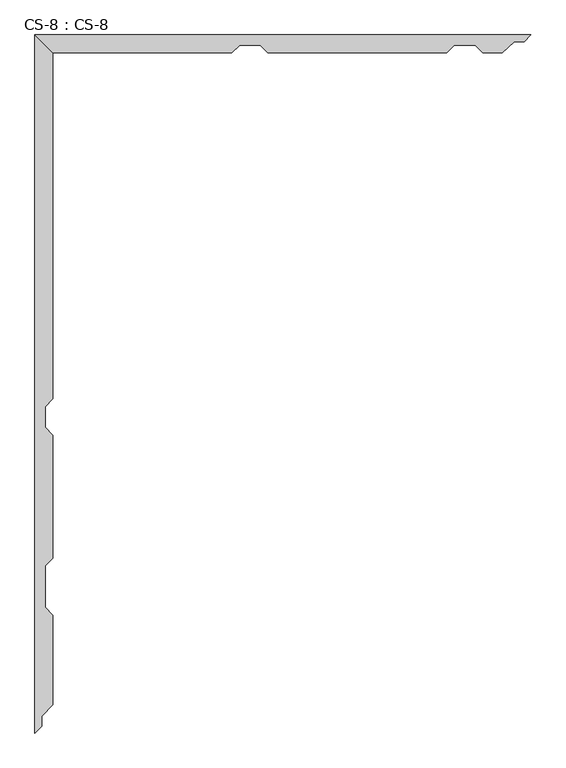
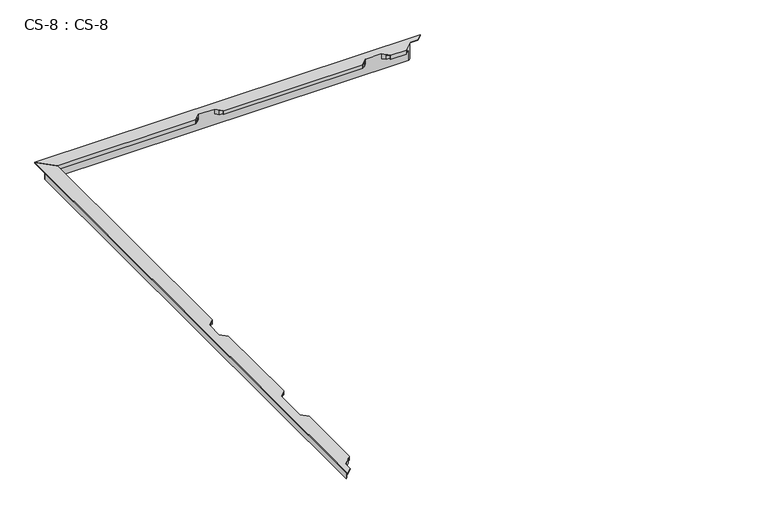
"""IFC4 building model written with IfcOpenShell, lengths in millimetres: proxy geometry, CS-8 : CS-8."""

from ifc_helpers import new_model, si_unit, origin, place, context, project, spatial, faceted_brep, source, transform, mapped, element, save


def cs_8_cs_8_ff728060(model_context):
    return source(origin(), model_context, "Body", "Brep", [
        faceted_brep([(1582.4203861, 2227.5800292, 66.675), (0.0, 2227.5800292, 66.675), (57.658, 2169.9220292, 66.675), (628.1421016, 2169.9220292, 66.675), (652.7801016, 2194.5600292, 66.675), (718.8201016, 2194.5600292, 66.675), (743.4581016, 2169.9220292, 66.675), (1313.9422032, 2169.9220292, 66.675), (1338.5802032, 2194.5600292, 66.675), (1404.6202032, 2194.5600292, 66.675), (1429.2582032, 2169.9220292, 66.675), (1491.7423861, 2169.9220292, 66.675), (1529.0803861, 2205.9900292, 66.675), (1560.8303861, 2205.9900292, 66.675), (1582.4203861, 2227.5800292, 63.5), (0.0, 2227.5800292, 63.5), (1560.8303861, 2205.9900292, 63.5), (1529.0803861, 2205.9900292, 63.5), (1524.478872, 2201.5450292, 63.5), (26.035, 2201.5450292, 63.5), (26.035, 2201.5450292, 0.0), (1524.478872, 2201.5450292, 0.0), (1517.2479213, 2194.5600292, 0.0), (33.02, 2194.5600292, 0.0), (33.02, 2194.5600292, 46.355), (1517.2479213, 2194.5600292, 46.355), (1404.6202032, 2194.5600292, 46.355), (1338.5802032, 2194.5600292, 46.355), (718.8201016, 2194.5600292, 46.355), (652.7801016, 2194.5600292, 46.355), (45.847, 2181.7330292, 46.355), (639.9531016, 2181.7330292, 46.355), (1503.9692664, 2181.7330292, 46.355), (1417.4472032, 2181.7330292, 46.355), (731.6471016, 2181.7330292, 46.355), (1325.7532032, 2181.7330292, 46.355), (45.847, 2181.7330292, 64.643), (639.9531016, 2181.7330292, 64.643), (1503.9692664, 2181.7330292, 64.643), (1417.4472032, 2181.7330292, 64.643), (731.6471016, 2181.7330292, 64.643), (1325.7532032, 2181.7330292, 64.643), (56.134, 2171.4460292, 64.643), (629.6661016, 2171.4460292, 64.643), (1493.3200481, 2171.4460292, 64.643), (1427.7342032, 2171.4460292, 64.643), (741.9341016, 2171.4460292, 64.643), (1315.4662032, 2171.4460292, 64.643), (56.134, 2171.4460292, 49.8094), (629.6661016, 2171.4460292, 49.8094), (1493.3200481, 2171.4460292, 49.8094), (1427.7342032, 2171.4460292, 49.8094), (741.9341016, 2171.4460292, 49.8094), (1315.4662032, 2171.4460292, 49.8094), (57.658, 2169.9220292, 49.8094), (628.1421016, 2169.9220292, 49.8094), (1491.7423861, 2169.9220292, 49.8094), (1429.2582032, 2169.9220292, 49.8094), (743.4581016, 2169.9220292, 49.8094), (1313.9422032, 2169.9220292, 49.8094)], [[[0, 1, 2, 3, 4, 5, 6, 7, 8, 9, 10, 11, 12, 13]], [[1, 0, 14, 15]], [[15, 14, 16, 17, 18, 19]], [[20, 19, 18, 21]], [[22, 23, 20, 21]], [[24, 23, 22, 25, 26, 9, 8, 27, 28, 5, 4, 29]], [[30, 24, 29, 31]], [[25, 32, 33, 26]], [[34, 28, 27, 35]], [[36, 30, 31, 37]], [[32, 38, 39, 33]], [[40, 34, 35, 41]], [[42, 36, 37, 43]], [[38, 44, 45, 39]], [[46, 40, 41, 47]], [[48, 42, 43, 49]], [[44, 50, 51, 45]], [[52, 46, 47, 53]], [[54, 48, 49, 55]], [[50, 56, 57, 51]], [[58, 52, 53, 59]], [[2, 54, 55, 3]], [[56, 11, 10, 57]], [[6, 58, 59, 7]], [[2, 1, 15, 19, 20, 23, 24, 30, 36, 42, 48, 54]], [[16, 13, 12, 17]], [[17, 12, 11, 56, 50, 44, 38, 32, 25, 22, 21, 18]], [[13, 16, 14, 0]], [[5, 28, 34, 40, 46, 52, 58, 6]], [[29, 4, 3, 55, 49, 43, 37, 31]], [[9, 26, 33, 39, 45, 51, 57, 10]], [[27, 8, 7, 59, 53, 47, 41, 35]]]),
        faceted_brep([(0.0, 2227.5800292, 66.675), (0.0, 0.0, 66.675), (21.59, 21.59, 66.675), (21.59, 53.34, 66.675), (57.658, 90.678, 66.675), (57.658, 376.6820292, 66.675), (33.02, 401.3200292, 66.675), (33.02, 533.4000292, 66.675), (57.658, 558.0380292, 66.675), (57.658, 950.7220584, 66.675), (33.02, 975.3600584, 66.675), (33.02, 1041.4000584, 66.675), (57.658, 1066.0380584, 66.675), (57.658, 2169.9220292, 66.675), (0.0, 2227.5800292, 63.5), (0.0, 0.0, 63.5), (26.035, 2201.5450292, 63.5), (26.035, 57.9415141, 63.5), (21.59, 53.34, 63.5), (21.59, 21.59, 63.5), (26.035, 57.9415141, 0.0), (26.035, 2201.5450292, 0.0), (33.02, 2194.5600292, 0.0), (33.02, 65.1724648, 0.0), (33.02, 65.1724648, 46.355), (33.02, 2194.5600292, 46.355), (33.02, 1041.4000584, 46.355), (33.02, 975.3600584, 46.355), (33.02, 533.4000292, 46.355), (33.02, 401.3200292, 46.355), (45.847, 78.4511197, 46.355), (45.847, 388.4930292, 46.355), (45.847, 2181.7330292, 46.355), (45.847, 1054.2270584, 46.355), (45.847, 546.2270292, 46.355), (45.847, 962.5330584, 46.355), (45.847, 78.4511197, 64.643), (45.847, 388.4930292, 64.643), (45.847, 2181.7330292, 64.643), (45.847, 1054.2270584, 64.643), (45.847, 546.2270292, 64.643), (45.847, 962.5330584, 64.643), (56.134, 89.100338, 64.643), (56.134, 378.2060292, 64.643), (56.134, 2171.4460292, 64.643), (56.134, 1064.5140584, 64.643), (56.134, 556.5140292, 64.643), (56.134, 952.2460584, 64.643), (56.134, 89.100338, 49.8094), (56.134, 378.2060292, 49.8094), (56.134, 2171.4460292, 49.8094), (56.134, 1064.5140584, 49.8094), (56.134, 556.5140292, 49.8094), (56.134, 952.2460584, 49.8094), (57.658, 90.678, 49.8094), (57.658, 376.6820292, 49.8094), (57.658, 2169.9220292, 49.8094), (57.658, 1066.0380584, 49.8094), (57.658, 558.0380292, 49.8094), (57.658, 950.7220584, 49.8094)], [[[0, 1, 2, 3, 4, 5, 6, 7, 8, 9, 10, 11, 12, 13]], [[1, 0, 14, 15]], [[15, 14, 16, 17, 18, 19]], [[20, 17, 16, 21]], [[22, 23, 20, 21]], [[24, 23, 22, 25, 26, 11, 10, 27, 28, 7, 6, 29]], [[30, 24, 29, 31]], [[25, 32, 33, 26]], [[34, 28, 27, 35]], [[36, 30, 31, 37]], [[32, 38, 39, 33]], [[40, 34, 35, 41]], [[42, 36, 37, 43]], [[38, 44, 45, 39]], [[46, 40, 41, 47]], [[48, 42, 43, 49]], [[44, 50, 51, 45]], [[52, 46, 47, 53]], [[54, 48, 49, 55]], [[50, 56, 57, 51]], [[58, 52, 53, 59]], [[4, 54, 55, 5]], [[56, 13, 12, 57]], [[8, 58, 59, 9]], [[19, 2, 1, 15]], [[3, 18, 17, 20, 23, 24, 30, 36, 42, 48, 54, 4]], [[2, 19, 18, 3]], [[0, 13, 56, 50, 44, 38, 32, 25, 22, 21, 16, 14]], [[29, 6, 5, 55, 49, 43, 37, 31]], [[7, 28, 34, 40, 46, 52, 58, 8]], [[11, 26, 33, 39, 45, 51, 57, 12]], [[27, 10, 9, 59, 53, 47, 41, 35]]]),
    ])


if __name__ == "__main__":
    model = new_model("IFC4")
    model_context = context("Model", 3, world=origin())
    ifc_project = project(units=[si_unit("LENGTHUNIT", "METRE", prefix="MILLI")], contexts=[model_context])
    site = spatial("IfcSite", under=ifc_project)
    building = spatial("IfcBuilding", under=site)
    placement = place(None, origin())
    cs_8_cs_8_shape = cs_8_cs_8_ff728060(model_context)
    element("IfcBuildingElementProxy", 1, Name="CS-8 : CS-8", ObjectType="CS-8 : CS-8", at=placement, inside=building, context=model_context, shape_type="MappedRepresentation", body=[
        mapped(cs_8_cs_8_shape, transform((0.0, 0.0, 0.0), x_axis=(1.0, 0.0, 0.0), y_axis=(0.0, 1.0, 0.0), z_axis=(0.0, 0.0, 1.0))),
    ])
    save(model, "model.ifc")
